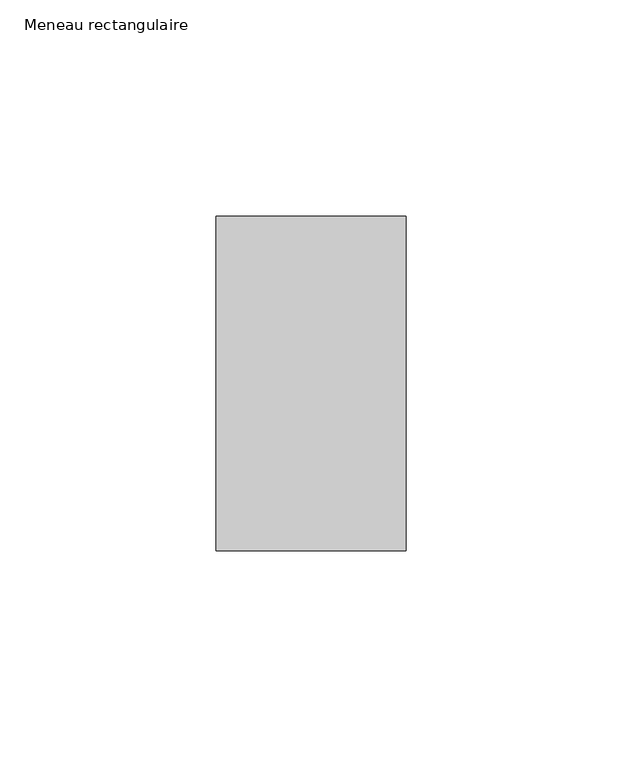
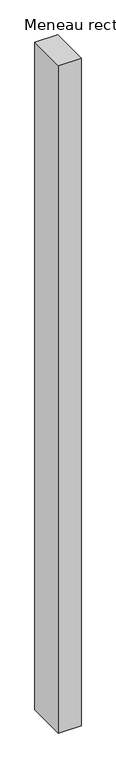
"""IFC4 building model written with IfcOpenShell, lengths in millimetres: member geometry, Meneau rectangulaire."""

from ifc_helpers import new_model, si_unit, frame, origin, place, context, project, spatial, polyline, outline, extrude, source, transform, mapped, element, save


def meneau_rectangulaire_a6026545(model_context):
    return source(origin(), model_context, "Body", "SweptSolid", [
        extrude(outline(polyline([(-44.0, 38.75), (0.0, 38.75), (0.0, -38.75), (-44.0, -38.75), (-44.0, 38.75)])), frame((0.0, 0.0, -1356.5833332), z_axis=(0.0, 0.0, 1.0), x_axis=(1.0, 0.0, 0.0)), (0.0, 0.0, 1.0), 1356.5833332),
    ])


if __name__ == "__main__":
    model = new_model("IFC4")
    model_context = context("Model", 3, world=origin())
    ifc_project = project(units=[si_unit("LENGTHUNIT", "METRE", prefix="MILLI")], contexts=[model_context])
    site = spatial("IfcSite", under=ifc_project)
    building = spatial("IfcBuilding", under=site)
    placement = place(None, origin())
    meneau_rectangulaire_shape = meneau_rectangulaire_a6026545(model_context)
    element("IfcMember", 1, ObjectType="Meneau rectangulaire", at=placement, inside=building, context=model_context, shape_type="MappedRepresentation", body=[
        mapped(meneau_rectangulaire_shape, transform((0.0, 0.0, 0.0), x_axis=(1.0, 0.0, 0.0), y_axis=(0.0, 1.0, 0.0), z_axis=(0.0, 0.0, 1.0))),
    ])
    save(model, "model.ifc")
